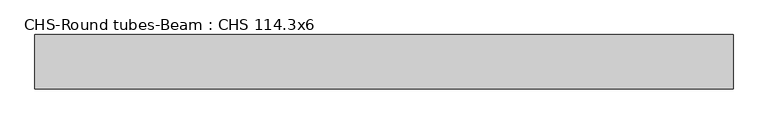
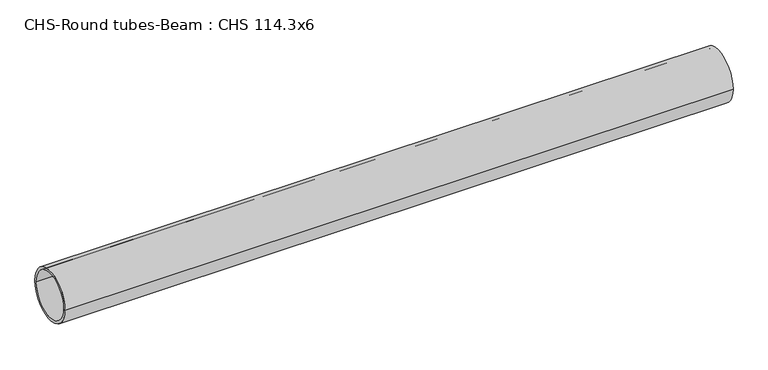
"""IFC4 building model written with IfcOpenShell, lengths in millimetres: beam geometry, CHS-Round tubes-Beam : CHS 114.3x6."""

import ifcopenshell
import ifcopenshell.guid

model = None  # the IFC model being written
_history = None  # IfcOwnerHistory: only IFC2X3 demands one
_inside = {}  # id of a spatial element -> (the spatial element, [elements in it])
_under = {}  # id of a project, library or spatial element -> (it, [spatial elements below it])
_declared = {}  # id of a project -> (the project, [libraries it declares])
_typed = {}  # id of a type object -> (the type object, [elements of that type])
_made_of = {}  # id of a material, layer set ... -> (it, [elements and type objects made of it])


def new_model(schema):
    """Start an empty IFC model of exactly this schema.

    Asked for "IFC4X3", IfcOpenShell would pick the latest addendum, in which some entities
    have other attributes; the version numbers below select the first issue.
    IFC2X3 requires an IfcOwnerHistory on every rooted entity: one is made here for all.
    """
    global model, _history
    if schema == "IFC4X3":
        model = ifcopenshell.file(schema_version=(4, 3, 0, 0))
    else:
        model = ifcopenshell.file(schema=schema)
    _inside.clear()
    _under.clear()
    _declared.clear()
    _typed.clear()
    _made_of.clear()
    _history = None
    if model.schema == "IFC2X3":
        org = make("IfcOrganization", Name="unknown")
        user = make(
            "IfcPersonAndOrganization",
            ThePerson=make("IfcPerson", FamilyName="unknown"),
            TheOrganization=org,
        )
        app = make(
            "IfcApplication",
            ApplicationDeveloper=org,
            Version="unknown",
            ApplicationFullName="unknown",
            ApplicationIdentifier="unknown",
        )
        _history = make(
            "IfcOwnerHistory",
            OwningUser=user,
            OwningApplication=app,
            ChangeAction="ADDED",
            CreationDate=0,
        )
    return model


def make(cls, **values):
    """One entity of the class cls with the attributes given. An attribute that is None is left unset."""
    return model.create_entity(
        cls, **{name: value for name, value in values.items() if value is not None}
    )


def rooted(cls, **values):
    """An entity with a GlobalId (a new one), such as an element, a storey or a relation."""
    return make(cls, GlobalId=ifcopenshell.guid.new(), OwnerHistory=_history, **values)


def si_unit(unit_type, name, prefix=None):
    """IfcSIUnit, for example si_unit("LENGTHUNIT", "METRE", prefix="MILLI")."""
    return make("IfcSIUnit", UnitType=unit_type, Prefix=prefix, Name=name)


def assignment(units):
    """IfcUnitAssignment: the units of a project."""
    return None if units is None else make("IfcUnitAssignment", Units=units)


def point(xyz):
    """IfcCartesianPoint."""
    return None if xyz is None else make("IfcCartesianPoint", Coordinates=xyz)


def direction(xyz):
    """IfcDirection."""
    return None if xyz is None else make("IfcDirection", DirectionRatios=xyz)


def frame(location, z_axis=None, x_axis=None):
    """IfcAxis2Placement3D, a coordinate frame: its origin and axes. An axis left out is left unset."""
    return make(
        "IfcAxis2Placement3D",
        Location=point(location),
        Axis=direction(z_axis),
        RefDirection=direction(x_axis),
    )


def frame_2d(location, x_axis=None):
    """IfcAxis2Placement2D, a coordinate frame in the plane: its origin and x axis."""
    return make(
        "IfcAxis2Placement2D", Location=point(location), RefDirection=direction(x_axis)
    )


def origin():
    """The frame at (0, 0, 0) with its axes left unset."""
    return frame((0.0, 0.0, 0.0))


def origin_2d():
    """The frame at (0, 0) in the plane with its x axis left unset."""
    return frame_2d((0.0, 0.0))


def place(relative_to, where):
    """IfcLocalPlacement: puts the frame where relative to a parent placement (None: the world)."""
    return make(
        "IfcLocalPlacement", PlacementRelTo=relative_to, RelativePlacement=where
    )


def context(
    kind, dimensions, precision=None, world=None, true_north=None, identifier=None
):
    """IfcGeometricRepresentationContext, for example the 3D "Model" context."""
    return make(
        "IfcGeometricRepresentationContext",
        ContextIdentifier=identifier,
        ContextType=kind,
        CoordinateSpaceDimension=dimensions,
        Precision=precision,
        WorldCoordinateSystem=world,
        TrueNorth=true_north,
    )


def project(units=None, contexts=None):
    """IfcProject with its units and contexts."""
    return rooted(
        "IfcProject",
        Name="project",
        RepresentationContexts=contexts,
        UnitsInContext=assignment(units),
    )


def spatial(cls, under=None, at=None, **own):
    """A site, building, storey or space (cls), placed at a placement, below another one or the project."""
    s = rooted(cls, ObjectPlacement=at, **own)
    if under is not None:
        _under.setdefault(under.id(), (under, []))[1].append(s)
    return s


def circle_curve(where, radius):
    """IfcCircle in the frame where."""
    return make("IfcCircle", Position=where, Radius=radius)


def trimmed(basis, trim1, trim2, sense, master):
    """IfcTrimmedCurve: the piece of a basis curve between two trims."""
    return make(
        "IfcTrimmedCurve",
        BasisCurve=basis,
        Trim1=trim1,
        Trim2=trim2,
        SenseAgreement=sense,
        MasterRepresentation=master,
    )


def segment(curve, same_sense, transition):
    """IfcCompositeCurveSegment."""
    return make(
        "IfcCompositeCurveSegment",
        Transition=transition,
        SameSense=same_sense,
        ParentCurve=curve,
    )


def composite_curve(segments, self_intersect=None):
    """IfcCompositeCurve: segments joined end to end."""
    return make("IfcCompositeCurve", Segments=segments, SelfIntersect=self_intersect)


def outline(outer, holes=None, kind="AREA"):
    """IfcArbitraryClosedProfileDef: a profile drawn as a closed curve; with holes, ...WithVoids."""
    if holes is None:
        return make("IfcArbitraryClosedProfileDef", ProfileType=kind, OuterCurve=outer)
    return make(
        "IfcArbitraryProfileDefWithVoids",
        ProfileType=kind,
        OuterCurve=outer,
        InnerCurves=holes,
    )


def extrude(swept, where, along, depth):
    """IfcExtrudedAreaSolid: the profile swept, set in the frame where, extruded along a direction by depth."""
    return make(
        "IfcExtrudedAreaSolid",
        SweptArea=swept,
        Position=where,
        ExtrudedDirection=direction(along),
        Depth=depth,
    )


def shape(context_of_items, identifier, shape_type, items):
    """IfcShapeRepresentation: the items that make up one representation, for example the "Body"."""
    return make(
        "IfcShapeRepresentation",
        ContextOfItems=context_of_items,
        RepresentationIdentifier=identifier,
        RepresentationType=shape_type,
        Items=items,
    )


def source(mapping_origin, context_of_items, identifier, shape_type, items):
    """IfcRepresentationMap: a shape defined once, which mapped items show again and again."""
    return make(
        "IfcRepresentationMap",
        MappingOrigin=mapping_origin,
        MappedRepresentation=shape(context_of_items, identifier, shape_type, items),
    )


def transform(
    local_origin,
    x_axis=None,
    y_axis=None,
    z_axis=None,
    scale=None,
    scale2=None,
    scale3=None,
    uniform=True,
):
    """IfcCartesianTransformationOperator3D, or its non-uniform kind. x_axis, y_axis, z_axis: its Axis1, 2, 3."""
    if uniform:
        return make(
            "IfcCartesianTransformationOperator3D",
            Axis1=direction(x_axis),
            Axis2=direction(y_axis),
            LocalOrigin=point(local_origin),
            Scale=scale,
            Axis3=direction(z_axis),
        )
    return make(
        "IfcCartesianTransformationOperator3DnonUniform",
        Axis1=direction(x_axis),
        Axis2=direction(y_axis),
        LocalOrigin=point(local_origin),
        Scale=scale,
        Axis3=direction(z_axis),
        Scale2=scale2,
        Scale3=scale3,
    )


def mapped(mapping_source, mapping_target):
    """IfcMappedItem: shows the shape of a source again, moved by a transform."""
    return make(
        "IfcMappedItem", MappingSource=mapping_source, MappingTarget=mapping_target
    )


def made_of(thing, what):
    """Note that an element or type object is made of a material, layer set ...; save() writes the relation."""
    if what is not None:
        _made_of.setdefault(what.id(), (what, []))[1].append(thing)
    return thing


def element(
    cls,
    number,
    at=None,
    inside=None,
    cuts=None,
    type_object=None,
    material=None,
    context=None,
    identifier="Body",
    shape_type=None,
    held_by="IfcProductDefinitionShape",
    body=None,
    shapes=None,
    **own,
):
    """One element of the class cls, such as IfcWall. Its Tag is "e" and its number.

    at: its placement. inside: the storey or other place that contains it. cuts: it is an
    opening in that element (IfcRelVoidsElement). A single representation is given by context,
    identifier, shape_type and body (its items); several are given by shapes. held_by: the class
    of the entity that holds the representations. save() writes the other relations.
    """
    e = rooted(cls, Tag="e%d" % number, ObjectPlacement=at, **own)
    if body is not None:
        shapes = [shape(context, identifier, shape_type, body)]
    if shapes is not None:
        e.Representation = make(held_by, Representations=shapes)
    if inside is not None:
        _inside.setdefault(inside.id(), (inside, []))[1].append(e)
    if cuts is not None:
        rooted(
            "IfcRelVoidsElement", RelatingBuildingElement=cuts, RelatedOpeningElement=e
        )
    if type_object is not None:
        _typed.setdefault(type_object.id(), (type_object, []))[1].append(e)
    return made_of(e, material)


def aggregate(whole, parts):
    """IfcRelAggregates: a whole, such as a stair, and the parts it consists of."""
    return rooted("IfcRelAggregates", RelatingObject=whole, RelatedObjects=parts)


def save(model, path):
    """Write the relations noted so far, then the file.

    IfcRelAggregates (storeys below a building ...), IfcRelContainedInSpatialStructure (elements
    in a storey), IfcRelDefinesByType, IfcRelAssociatesMaterial and IfcRelDeclares: one each for
    every whole, place, type object, material and project.
    """
    for whole, parts in _under.values():
        aggregate(whole, parts)
    for where, things in _inside.values():
        rooted(
            "IfcRelContainedInSpatialStructure",
            RelatedElements=things,
            RelatingStructure=where,
        )
    for kind, things in _typed.values():
        rooted("IfcRelDefinesByType", RelatedObjects=things, RelatingType=kind)
    for what, things in _made_of.values():
        rooted("IfcRelAssociatesMaterial", RelatedObjects=things, RelatingMaterial=what)
    for by, libraries in _declared.values():
        rooted("IfcRelDeclares", RelatingContext=by, RelatedDefinitions=libraries)
    model.write(path)


def chs_round_tubes_beam_chs_114_3x6_7b11b32e(model_context):
    return source(origin(), model_context, "Body", "SweptSolid", [
        extrude(outline(composite_curve([segment(trimmed(circle_curve(origin_2d(), 57.15), [point((57.15, 0.0))], [point((-57.15, 0.0))], False, "CARTESIAN"), True, "CONTINUOUS"), segment(trimmed(circle_curve(origin_2d(), 57.15), [point((-57.15, 0.0))], [point((57.15, 0.0))], False, "CARTESIAN"), True, "CONTINUOUS")], self_intersect=False), holes=[composite_curve([segment(trimmed(circle_curve(origin_2d(), 51.15), [point((51.15, 0.0))], [point((-51.15, 0.0))], True, "CARTESIAN"), True, "CONTINUOUS"), segment(trimmed(circle_curve(origin_2d(), 51.15), [point((-51.15, 0.0))], [point((51.15, 0.0))], True, "CARTESIAN"), True, "CONTINUOUS")], self_intersect=False)]), frame((-757.6781181, 0.0, 0.0), z_axis=(1.0, 0.0, 0.0), x_axis=(0.0, 1.0, 0.0)), (0.0, 0.0, 1.0), 1470.6026129),
    ])


if __name__ == "__main__":
    model = new_model("IFC4")
    model_context = context("Model", 3, world=origin())
    ifc_project = project(units=[si_unit("LENGTHUNIT", "METRE", prefix="MILLI")], contexts=[model_context])
    site = spatial("IfcSite", under=ifc_project)
    building = spatial("IfcBuilding", under=site)
    placement = place(None, origin())
    chs_round_tubes_beam_chs_114_3x6_shape = chs_round_tubes_beam_chs_114_3x6_7b11b32e(model_context)
    element("IfcBeam", 1, ObjectType="CHS-Round tubes-Beam : CHS 114.3x6", at=placement, inside=building, context=model_context, shape_type="MappedRepresentation", body=[
        mapped(chs_round_tubes_beam_chs_114_3x6_shape, transform((0.0, 0.0, 0.0), x_axis=(1.0, 0.0, 0.0), y_axis=(0.0, 1.0, 0.0), z_axis=(0.0, 0.0, 1.0))),
    ])
    save(model, "model.ifc")
